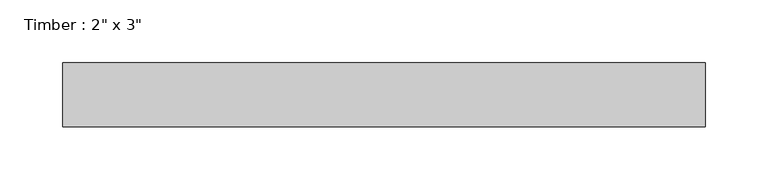
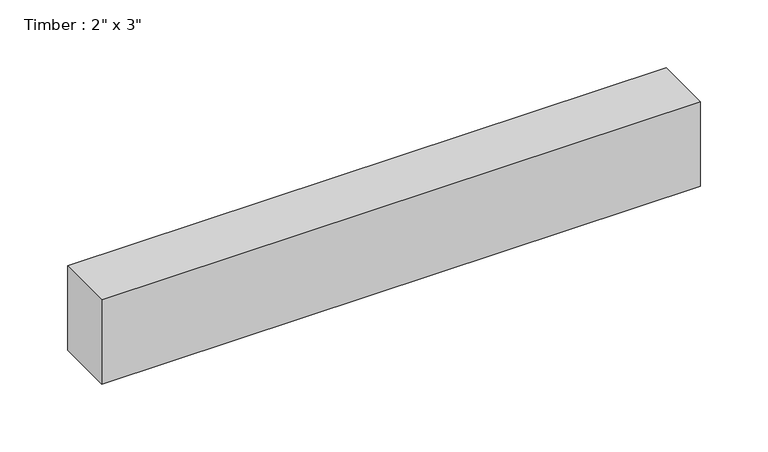
"""IFC4 building model written with IfcOpenShell, lengths in millimetres: beam geometry."""

from ifc_helpers import new_model, si_unit, frame, origin, place, context, project, spatial, polyline, outline, extrude, source, transform, mapped, element, save


def beam_d6038134(model_context):
    return source(origin(), model_context, "Body", "SweptSolid", [
        extrude(outline(polyline([(255.5896873, -25.4), (-255.5896873, -25.4), (-255.5896873, 25.4), (255.5896873, 25.4), (255.5896873, -25.4)])), frame((0.0, 0.0, -38.1), z_axis=(0.0, 0.0, 1.0), x_axis=(1.0, 0.0, 0.0)), (0.0, 0.0, 1.0), 76.2),
    ])


if __name__ == "__main__":
    model = new_model("IFC4")
    model_context = context("Model", 3, world=origin())
    ifc_project = project(units=[si_unit("LENGTHUNIT", "METRE", prefix="MILLI")], contexts=[model_context])
    site = spatial("IfcSite", under=ifc_project)
    building = spatial("IfcBuilding", under=site)
    placement = place(None, origin())
    beam_shape = beam_d6038134(model_context)
    element("IfcBeam", 1, ObjectType="Timber : 2\" x 3\"", at=placement, inside=building, context=model_context, shape_type="MappedRepresentation", body=[
        mapped(beam_shape, transform((0.0, 0.0, 0.0), x_axis=(1.0, 0.0, 0.0), y_axis=(0.0, 1.0, 0.0), z_axis=(0.0, 0.0, 1.0))),
    ])
    save(model, "model.ifc")
